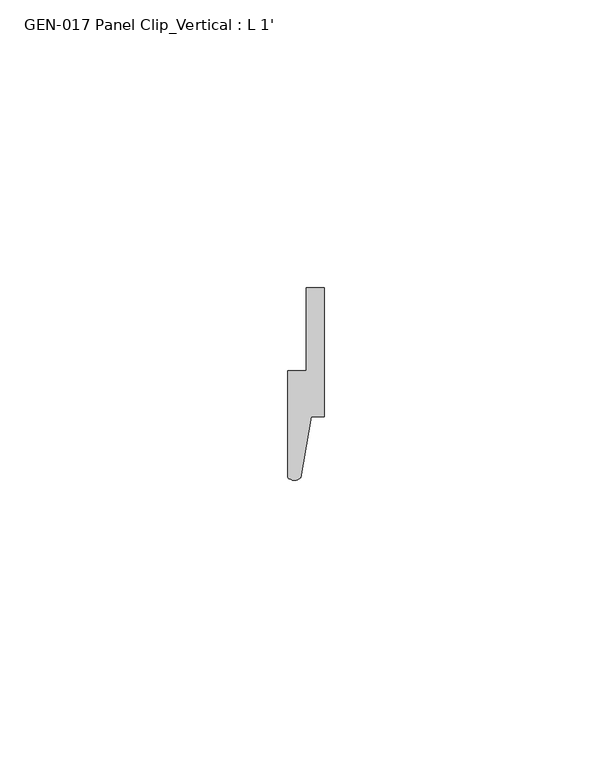
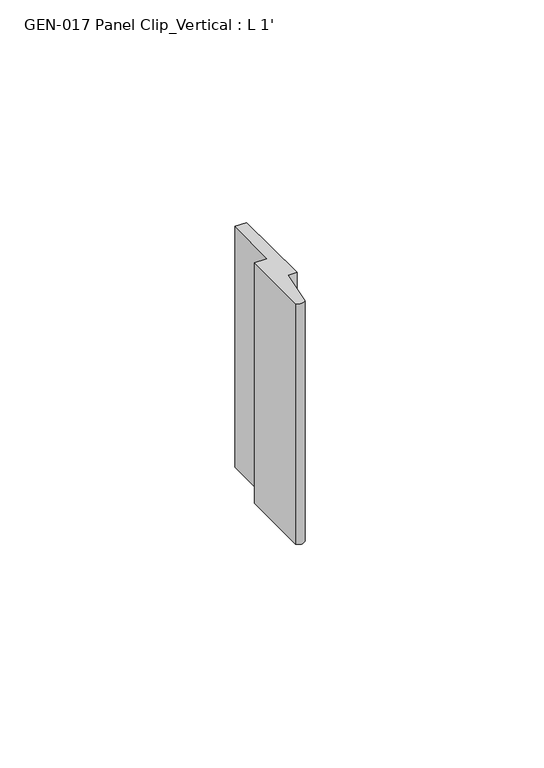
"""IFC4 building model written with IfcOpenShell, lengths in millimetres: proxy geometry, GEN-017 Panel Clip_Vertical : L 1'."""

from ifc_helpers import new_model, si_unit, point, frame_2d, origin, origin_with_axes, place, context, project, spatial, polyline, circle_curve, trimmed, segment, composite_curve, outline, extrude, source, transform, mapped, element, save


def gen_017_panel_clip_vertical_l_1_a55f06e5(model_context):
    return source(origin(), model_context, "Body", "SweptSolid", [
        extrude(outline(composite_curve([segment(trimmed(circle_curve(frame_2d((-5.1548247, 1.6155848)), 1.6162393), [point((-4.026132, 0.4587433))], [point((-6.3475012, 0.5248271))], False, "CARTESIAN"), True, "CONTINUOUS"), segment(polyline([(-6.3475012, 0.5248271), (-6.3475012, 19.0309541), (-3.1090012, 19.0309541), (-3.1090012, 33.5089541), (0.0, 33.5089541), (0.0, 11.0348302), (-2.2151582, 11.0348302), (-4.026132, 0.4587433)]), True, "CONTINUOUS")], self_intersect=False)), origin_with_axes(), (0.0, 0.0, 1.0), 66.04),
    ])


if __name__ == "__main__":
    model = new_model("IFC4")
    model_context = context("Model", 3, world=origin())
    ifc_project = project(units=[si_unit("LENGTHUNIT", "METRE", prefix="MILLI")], contexts=[model_context])
    site = spatial("IfcSite", under=ifc_project)
    building = spatial("IfcBuilding", under=site)
    placement = place(None, origin())
    gen_017_panel_clip_vertical_l_1_shape = gen_017_panel_clip_vertical_l_1_a55f06e5(model_context)
    element("IfcBuildingElementProxy", 1, Name="GEN-017 Panel Clip_Vertical : L 1'", ObjectType="GEN-017 Panel Clip_Vertical : L 1'", at=placement, inside=building, context=model_context, shape_type="MappedRepresentation", body=[
        mapped(gen_017_panel_clip_vertical_l_1_shape, transform((0.0, 0.0, 0.0), x_axis=(1.0, 0.0, 0.0), y_axis=(0.0, 1.0, 0.0), z_axis=(0.0, 0.0, 1.0))),
    ])
    save(model, "model.ifc")
